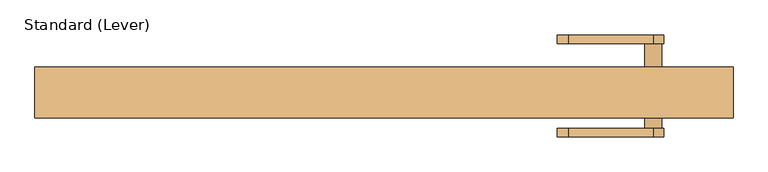
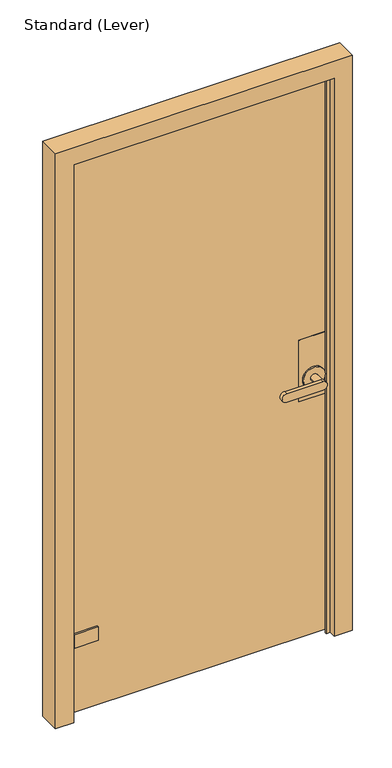
"""IFC4 building model written with IfcOpenShell, lengths in millimetres: door geometry, Standard (Lever)."""

import ifcopenshell
import ifcopenshell.guid

model = None  # the IFC model being written
_history = None  # IfcOwnerHistory: only IFC2X3 demands one
_inside = {}  # id of a spatial element -> (the spatial element, [elements in it])
_under = {}  # id of a project, library or spatial element -> (it, [spatial elements below it])
_declared = {}  # id of a project -> (the project, [libraries it declares])
_typed = {}  # id of a type object -> (the type object, [elements of that type])
_made_of = {}  # id of a material, layer set ... -> (it, [elements and type objects made of it])


def new_model(schema):
    """Start an empty IFC model of exactly this schema.

    Asked for "IFC4X3", IfcOpenShell would pick the latest addendum, in which some entities
    have other attributes; the version numbers below select the first issue.
    IFC2X3 requires an IfcOwnerHistory on every rooted entity: one is made here for all.
    """
    global model, _history
    if schema == "IFC4X3":
        model = ifcopenshell.file(schema_version=(4, 3, 0, 0))
    else:
        model = ifcopenshell.file(schema=schema)
    _inside.clear()
    _under.clear()
    _declared.clear()
    _typed.clear()
    _made_of.clear()
    _history = None
    if model.schema == "IFC2X3":
        org = make("IfcOrganization", Name="unknown")
        user = make(
            "IfcPersonAndOrganization",
            ThePerson=make("IfcPerson", FamilyName="unknown"),
            TheOrganization=org,
        )
        app = make(
            "IfcApplication",
            ApplicationDeveloper=org,
            Version="unknown",
            ApplicationFullName="unknown",
            ApplicationIdentifier="unknown",
        )
        _history = make(
            "IfcOwnerHistory",
            OwningUser=user,
            OwningApplication=app,
            ChangeAction="ADDED",
            CreationDate=0,
        )
    return model


def make(cls, **values):
    """One entity of the class cls with the attributes given. An attribute that is None is left unset."""
    return model.create_entity(
        cls, **{name: value for name, value in values.items() if value is not None}
    )


def rooted(cls, **values):
    """An entity with a GlobalId (a new one), such as an element, a storey or a relation."""
    return make(cls, GlobalId=ifcopenshell.guid.new(), OwnerHistory=_history, **values)


def si_unit(unit_type, name, prefix=None):
    """IfcSIUnit, for example si_unit("LENGTHUNIT", "METRE", prefix="MILLI")."""
    return make("IfcSIUnit", UnitType=unit_type, Prefix=prefix, Name=name)


def assignment(units):
    """IfcUnitAssignment: the units of a project."""
    return None if units is None else make("IfcUnitAssignment", Units=units)


def point(xyz):
    """IfcCartesianPoint."""
    return None if xyz is None else make("IfcCartesianPoint", Coordinates=xyz)


def direction(xyz):
    """IfcDirection."""
    return None if xyz is None else make("IfcDirection", DirectionRatios=xyz)


def frame(location, z_axis=None, x_axis=None):
    """IfcAxis2Placement3D, a coordinate frame: its origin and axes. An axis left out is left unset."""
    return make(
        "IfcAxis2Placement3D",
        Location=point(location),
        Axis=direction(z_axis),
        RefDirection=direction(x_axis),
    )


def origin():
    """The frame at (0, 0, 0) with its axes left unset."""
    return frame((0.0, 0.0, 0.0))


def place(relative_to, where):
    """IfcLocalPlacement: puts the frame where relative to a parent placement (None: the world)."""
    return make(
        "IfcLocalPlacement", PlacementRelTo=relative_to, RelativePlacement=where
    )


def context(
    kind, dimensions, precision=None, world=None, true_north=None, identifier=None
):
    """IfcGeometricRepresentationContext, for example the 3D "Model" context."""
    return make(
        "IfcGeometricRepresentationContext",
        ContextIdentifier=identifier,
        ContextType=kind,
        CoordinateSpaceDimension=dimensions,
        Precision=precision,
        WorldCoordinateSystem=world,
        TrueNorth=true_north,
    )


def project(units=None, contexts=None):
    """IfcProject with its units and contexts."""
    return rooted(
        "IfcProject",
        Name="project",
        RepresentationContexts=contexts,
        UnitsInContext=assignment(units),
    )


def spatial(cls, under=None, at=None, **own):
    """A site, building, storey or space (cls), placed at a placement, below another one or the project."""
    s = rooted(cls, ObjectPlacement=at, **own)
    if under is not None:
        _under.setdefault(under.id(), (under, []))[1].append(s)
    return s


def polyline(points):
    """IfcPolyline through the points."""
    return make("IfcPolyline", Points=[point(p) for p in points])


def circle_curve(where, radius):
    """IfcCircle in the frame where."""
    return make("IfcCircle", Position=where, Radius=radius)


def outline(outer, holes=None, kind="AREA"):
    """IfcArbitraryClosedProfileDef: a profile drawn as a closed curve; with holes, ...WithVoids."""
    if holes is None:
        return make("IfcArbitraryClosedProfileDef", ProfileType=kind, OuterCurve=outer)
    return make(
        "IfcArbitraryProfileDefWithVoids",
        ProfileType=kind,
        OuterCurve=outer,
        InnerCurves=holes,
    )


def extrude(swept, where, along, depth):
    """IfcExtrudedAreaSolid: the profile swept, set in the frame where, extruded along a direction by depth."""
    return make(
        "IfcExtrudedAreaSolid",
        SweptArea=swept,
        Position=where,
        ExtrudedDirection=direction(along),
        Depth=depth,
    )


def faces_of(points, faces, orient=None, outer=None):
    """IfcFace entities. A face is a list of loops; a loop is a list of indices into points, from 0.

    orient and outer hold one flag for each loop. By default every Orientation is true, the
    first loop of a face is its IfcFaceOuterBound and the others are IfcFaceBound.
    """
    made = []
    for i, loops in enumerate(faces):
        bounds = []
        for j, loop in enumerate(loops):
            is_outer = j == 0 if outer is None else outer[i][j]
            bounds.append(
                make(
                    "IfcFaceOuterBound" if is_outer else "IfcFaceBound",
                    Bound=make("IfcPolyLoop", Polygon=[points[k] for k in loop]),
                    Orientation=True if orient is None else orient[i][j],
                )
            )
        made.append(make("IfcFace", Bounds=bounds))
    return made


def faceted_brep(points, faces, orient=None, outer=None, voids=None):
    """IfcFacetedBrep: a solid bounded by flat faces; with voids (closed shells), ...WithVoids."""
    shared = [point(p) for p in points]
    hull = make("IfcClosedShell", CfsFaces=faces_of(shared, faces, orient, outer))
    if voids is None:
        return make("IfcFacetedBrep", Outer=hull)
    return make(
        "IfcFacetedBrepWithVoids",
        Outer=hull,
        Voids=[
            make(cls, CfsFaces=faces_of(shared, fs, o, b)) for cls, fs, o, b in voids
        ],
    )


def shape(context_of_items, identifier, shape_type, items):
    """IfcShapeRepresentation: the items that make up one representation, for example the "Body"."""
    return make(
        "IfcShapeRepresentation",
        ContextOfItems=context_of_items,
        RepresentationIdentifier=identifier,
        RepresentationType=shape_type,
        Items=items,
    )


def source(mapping_origin, context_of_items, identifier, shape_type, items):
    """IfcRepresentationMap: a shape defined once, which mapped items show again and again."""
    return make(
        "IfcRepresentationMap",
        MappingOrigin=mapping_origin,
        MappedRepresentation=shape(context_of_items, identifier, shape_type, items),
    )


def transform(
    local_origin,
    x_axis=None,
    y_axis=None,
    z_axis=None,
    scale=None,
    scale2=None,
    scale3=None,
    uniform=True,
):
    """IfcCartesianTransformationOperator3D, or its non-uniform kind. x_axis, y_axis, z_axis: its Axis1, 2, 3."""
    if uniform:
        return make(
            "IfcCartesianTransformationOperator3D",
            Axis1=direction(x_axis),
            Axis2=direction(y_axis),
            LocalOrigin=point(local_origin),
            Scale=scale,
            Axis3=direction(z_axis),
        )
    return make(
        "IfcCartesianTransformationOperator3DnonUniform",
        Axis1=direction(x_axis),
        Axis2=direction(y_axis),
        LocalOrigin=point(local_origin),
        Scale=scale,
        Axis3=direction(z_axis),
        Scale2=scale2,
        Scale3=scale3,
    )


def mapped(mapping_source, mapping_target):
    """IfcMappedItem: shows the shape of a source again, moved by a transform."""
    return make(
        "IfcMappedItem", MappingSource=mapping_source, MappingTarget=mapping_target
    )


def made_of(thing, what):
    """Note that an element or type object is made of a material, layer set ...; save() writes the relation."""
    if what is not None:
        _made_of.setdefault(what.id(), (what, []))[1].append(thing)
    return thing


def element(
    cls,
    number,
    at=None,
    inside=None,
    cuts=None,
    type_object=None,
    material=None,
    context=None,
    identifier="Body",
    shape_type=None,
    held_by="IfcProductDefinitionShape",
    body=None,
    shapes=None,
    **own,
):
    """One element of the class cls, such as IfcWall. Its Tag is "e" and its number.

    at: its placement. inside: the storey or other place that contains it. cuts: it is an
    opening in that element (IfcRelVoidsElement). A single representation is given by context,
    identifier, shape_type and body (its items); several are given by shapes. held_by: the class
    of the entity that holds the representations. save() writes the other relations.
    """
    e = rooted(cls, Tag="e%d" % number, ObjectPlacement=at, **own)
    if body is not None:
        shapes = [shape(context, identifier, shape_type, body)]
    if shapes is not None:
        e.Representation = make(held_by, Representations=shapes)
    if inside is not None:
        _inside.setdefault(inside.id(), (inside, []))[1].append(e)
    if cuts is not None:
        rooted(
            "IfcRelVoidsElement", RelatingBuildingElement=cuts, RelatedOpeningElement=e
        )
    if type_object is not None:
        _typed.setdefault(type_object.id(), (type_object, []))[1].append(e)
    return made_of(e, material)


def aggregate(whole, parts):
    """IfcRelAggregates: a whole, such as a stair, and the parts it consists of."""
    return rooted("IfcRelAggregates", RelatingObject=whole, RelatedObjects=parts)


def save(model, path):
    """Write the relations noted so far, then the file.

    IfcRelAggregates (storeys below a building ...), IfcRelContainedInSpatialStructure (elements
    in a storey), IfcRelDefinesByType, IfcRelAssociatesMaterial and IfcRelDeclares: one each for
    every whole, place, type object, material and project.
    """
    for whole, parts in _under.values():
        aggregate(whole, parts)
    for where, things in _inside.values():
        rooted(
            "IfcRelContainedInSpatialStructure",
            RelatedElements=things,
            RelatingStructure=where,
        )
    for kind, things in _typed.values():
        rooted("IfcRelDefinesByType", RelatedObjects=things, RelatingType=kind)
    for what, things in _made_of.values():
        rooted("IfcRelAssociatesMaterial", RelatedObjects=things, RelatingMaterial=what)
    for by, libraries in _declared.values():
        rooted("IfcRelDeclares", RelatingContext=by, RelatedDefinitions=libraries)
    model.write(path)


def plane_surface(at):
    """IfcPlane: the flat surface through the origin of the frame at, square to its z axis."""
    return make("IfcPlane", Position=at)


def cylinder_surface(at, radius):
    """IfcCylindricalSurface: all points at the distance radius from the z axis of the frame at."""
    return make("IfcCylindricalSurface", Position=at, Radius=radius)


def revolved_surface(curve, axis_point, axis_direction):
    """IfcSurfaceOfRevolution: the curve turned about the line through axis_point along axis_direction."""
    return make(
        "IfcSurfaceOfRevolution",
        SweptCurve=make("IfcArbitraryOpenProfileDef", ProfileType="CURVE", Curve=curve),
        AxisPosition=make("IfcAxis1Placement", Location=point(axis_point), Axis=direction(axis_direction)),
    )


def advanced_brep(points, edges, surfaces, faces):
    """IfcAdvancedBrep: a solid bounded by faces that lie on surfaces and meet in shared edges.

    An edge is (start, end): straight between two places in points (the first is 0);
    or (start, end, curve); or (start, end, curve, False) where it runs against its curve.
    A face is (place in surfaces, loops), or (place, loops, False) where it looks against
    its surface's normal. A loop lists edges by number (the first is 1), with a minus sign
    where the edge is run from its end to its start. The first loop is the outer one.
    """
    corners = [point(p) for p in points]
    vertices = [make("IfcVertexPoint", VertexGeometry=c) for c in corners]
    made = []
    for start, end, *more in edges:
        made.append(
            make(
                "IfcEdgeCurve",
                EdgeStart=vertices[start],
                EdgeEnd=vertices[end],
                EdgeGeometry=more[0] if more else make("IfcPolyline", Points=[corners[start], corners[end]]),
                SameSense=more[1] if len(more) > 1 else True,
            )
        )
    hull = []
    for where, loops, *sense in faces:
        bounds = []
        for j, loop in enumerate(loops):
            ring = [make("IfcOrientedEdge", EdgeElement=made[abs(k) - 1], Orientation=k > 0) for k in loop]
            bounds.append(
                make(
                    "IfcFaceOuterBound" if j == 0 else "IfcFaceBound",
                    Bound=make("IfcEdgeLoop", EdgeList=ring),
                    Orientation=True,
                )
            )
        hull.append(make("IfcAdvancedFace", Bounds=bounds, FaceSurface=surfaces[where], SameSense=sense[0] if sense else True))
    return make("IfcAdvancedBrep", Outer=make("IfcClosedShell", CfsFaces=hull))


def standard_lever_677bbb36(model_context):
    return source(origin(), model_context, "Body", "SolidModel", [
        advanced_brep(
        [(452.4375, 29.36875, 1117.6), (350.8375, 29.36875, 1117.6), (350.8375, 5.55625, 1117.6), (439.7375, 5.55625, 1117.6), (439.7375, -7.14375, 1117.6), (350.8375, -7.14375, 1117.6), (350.8375, -8.73125, 1117.6), (452.4375, -8.73125, 1117.6), (452.4375, 29.36875, 889.0), (452.4375, -8.73125, 889.0), (350.8375, -8.73125, 889.0), (350.8375, -7.14375, 889.0), (439.7375, -7.14375, 889.0), (439.7375, 5.55625, 889.0), (350.8375, 5.55625, 889.0), (350.8375, 29.36875, 889.0), (439.7375, 29.36875, 965.2), (363.5375, 29.36875, 965.2), (439.7375, -13.49375, 965.2), (363.5375, -13.49375, 965.2), (388.9375, -13.49375, 965.2), (414.3375, -13.49375, 965.2), (363.5375, -8.73125, 965.2), (439.7375, -8.73125, 965.2), (414.3375, -53.18125, 965.2), (388.9375, -53.18125, 965.2), (274.6375, -65.88125, 949.325), (401.6375, -65.88125, 949.325), (401.6375, -65.88125, 981.075), (274.6375, -65.88125, 981.075), (274.6375, -53.18125, 949.325), (274.6375, -53.18125, 981.075), (401.6375, -53.18125, 981.075), (401.6375, -53.18125, 949.325), (414.3375, 34.13125, 965.2), (388.9375, 34.13125, 965.2), (388.9375, 73.81875, 965.2), (414.3375, 73.81875, 965.2), (439.7375, 34.13125, 965.2), (363.5375, 34.13125, 965.2), (401.6375, 73.81875, 949.325), (401.6375, 73.81875, 981.075), (274.6375, 73.81875, 981.075), (274.6375, 73.81875, 949.325), (401.6375, 86.51875, 949.325), (274.6375, 86.51875, 949.325), (274.6375, 86.51875, 981.075), (401.6375, 86.51875, 981.075)],
        [
            (0, 1),
            (1, 2),
            (2, 3),
            (3, 4),
            (4, 5),
            (5, 6),
            (6, 7),
            (7, 0),
            (8, 9),
            (9, 10),
            (10, 11),
            (11, 12),
            (12, 13),
            (13, 14),
            (14, 15),
            (15, 8),
            (7, 9),
            (8, 0),
            (2, 14),
            (13, 3),
            (1, 15),
            (16, 17, circle_curve(frame((401.6375, 29.36875, 965.2), z_axis=(0.0, -1.0, 0.0), x_axis=(-1.0, 0.0, 0.0)), 38.1)),
            (17, 16, circle_curve(frame((401.6375, 29.36875, 965.2), z_axis=(0.0, -1.0, 0.0), x_axis=(-1.0, 0.0, 0.0)), 38.1)),
            (5, 11),
            (10, 6),
            (4, 12),
            (18, 19, circle_curve(frame((401.6375, -13.49375, 965.2), z_axis=(0.0, -1.0, 0.0), x_axis=(-1.0, 0.0, 0.0)), 38.1)),
            (19, 18, circle_curve(frame((401.6375, -13.49375, 965.2), z_axis=(0.0, -1.0, 0.0), x_axis=(-1.0, 0.0, 0.0)), 38.1)),
            (20, 21, circle_curve(frame((401.6375, -13.49375, 965.2), z_axis=(0.0, 1.0, 0.0), x_axis=(-1.0, 0.0, 0.0)), 12.7)),
            (21, 20, circle_curve(frame((401.6375, -13.49375, 965.2), z_axis=(0.0, 1.0, 0.0), x_axis=(-1.0, 0.0, 0.0)), 12.7)),
            (19, 22),
            (22, 23, circle_curve(frame((401.6375, -8.73125, 965.2), z_axis=(0.0, -1.0, 0.0), x_axis=(-1.0, 0.0, 0.0)), 38.1)),
            (23, 18),
            (23, 22, circle_curve(frame((401.6375, -8.73125, 965.2), z_axis=(0.0, -1.0, 0.0), x_axis=(-1.0, 0.0, 0.0)), 38.1)),
            (24, 25, circle_curve(frame((401.6375, -53.18125, 965.2), z_axis=(0.0, 1.0, 0.0), x_axis=(-1.0, 0.0, 0.0)), 12.7)),
            (25, 20),
            (21, 24),
            (25, 24, circle_curve(frame((401.6375, -53.18125, 965.2), z_axis=(0.0, 1.0, 0.0), x_axis=(-1.0, 0.0, 0.0)), 12.7)),
            (26, 27),
            (27, 28, circle_curve(frame((401.6375, -65.88125, 965.2), z_axis=(0.0, -1.0, 0.0), x_axis=(-1.0, 0.0, 0.0)), 15.875)),
            (28, 29),
            (29, 26, circle_curve(frame((274.6375, -65.88125, 965.2), z_axis=(0.0, -1.0, 0.0), x_axis=(-1.0, 0.0, 0.0)), 15.875)),
            (30, 31, circle_curve(frame((274.6375, -53.18125, 965.2), z_axis=(0.0, 1.0, 0.0), x_axis=(-1.0, 0.0, 0.0)), 15.875)),
            (31, 32),
            (32, 33, circle_curve(frame((401.6375, -53.18125, 965.2), z_axis=(0.0, 1.0, 0.0), x_axis=(-1.0, 0.0, 0.0)), 15.875)),
            (33, 30),
            (29, 31),
            (30, 26),
            (28, 32),
            (27, 33),
            (34, 35, circle_curve(frame((401.6375, 34.13125, 965.2), z_axis=(0.0, 1.0, 0.0), x_axis=(-1.0, 0.0, 0.0)), 12.7)),
            (35, 36),
            (36, 37, circle_curve(frame((401.6375, 73.81875, 965.2), z_axis=(0.0, -1.0, 0.0), x_axis=(-1.0, 0.0, 0.0)), 12.7)),
            (37, 34),
            (37, 36, circle_curve(frame((401.6375, 73.81875, 965.2), z_axis=(0.0, -1.0, 0.0), x_axis=(-1.0, 0.0, 0.0)), 12.7)),
            (35, 34, circle_curve(frame((401.6375, 34.13125, 965.2), z_axis=(0.0, 1.0, 0.0), x_axis=(-1.0, 0.0, 0.0)), 12.7)),
            (38, 39, circle_curve(frame((401.6375, 34.13125, 965.2), z_axis=(0.0, 1.0, 0.0), x_axis=(-1.0, 0.0, 0.0)), 38.1)),
            (39, 38, circle_curve(frame((401.6375, 34.13125, 965.2), z_axis=(0.0, 1.0, 0.0), x_axis=(-1.0, 0.0, 0.0)), 38.1)),
            (38, 16),
            (17, 39),
            (40, 41, circle_curve(frame((401.6375, 73.81875, 965.2), z_axis=(0.0, -1.0, 0.0), x_axis=(-1.0, 0.0, 0.0)), 15.875)),
            (41, 42),
            (42, 43, circle_curve(frame((274.6375, 73.81875, 965.2), z_axis=(0.0, -1.0, 0.0), x_axis=(-1.0, 0.0, 0.0)), 15.875)),
            (43, 40),
            (44, 45),
            (45, 46, circle_curve(frame((274.6375, 86.51875, 965.2), z_axis=(0.0, 1.0, 0.0), x_axis=(-1.0, 0.0, 0.0)), 15.875)),
            (46, 47),
            (47, 44, circle_curve(frame((401.6375, 86.51875, 965.2), z_axis=(0.0, 1.0, 0.0), x_axis=(-1.0, 0.0, 0.0)), 15.875)),
            (43, 45),
            (44, 40),
            (42, 46),
            (41, 47),
        ],
        [
            plane_surface(frame((452.4375, 117.2130478, 1117.6), z_axis=(0.0, 0.0, 1.0), x_axis=(0.0, -1.0, 0.0))),
            plane_surface(frame((452.4375, 117.2130478, 889.0), z_axis=(0.0, 0.0, -1.0), x_axis=(0.0, 1.0, 0.0))),
            plane_surface(frame((452.4375, 29.36875, 1117.6), z_axis=(1.0, 0.0, 0.0), x_axis=(0.0, 0.0, -1.0))),
            plane_surface(frame((439.7375, 5.55625, 1117.6), z_axis=(0.0, -1.0, 0.0), x_axis=(0.0, 0.0, -1.0))),
            plane_surface(frame((350.8375, 5.55625, 1117.6), z_axis=(-1.0, 0.0, 0.0), x_axis=(0.0, 0.0, -1.0))),
            plane_surface(frame((350.8375, 29.36875, 1117.6), z_axis=(0.0, 1.0, 0.0), x_axis=(0.0, 0.0, -1.0))),
            plane_surface(frame((350.8375, -8.73125, 1117.6), z_axis=(-1.0, 0.0, 0.0), x_axis=(0.0, 0.0, -1.0))),
            plane_surface(frame((350.8375, -7.14375, 1117.6), z_axis=(0.0, 1.0, 0.0), x_axis=(0.0, 0.0, -1.0))),
            plane_surface(frame((363.5375, -13.49375, 965.2), z_axis=(0.0, -1.0, 0.0), x_axis=(0.0, 0.0, 1.0))),
            cylinder_surface(frame((401.6375, -8.73125, 965.2), z_axis=(0.0, -1.0, 0.0), x_axis=(-1.0, 0.0, 0.0)), 38.1),
            cylinder_surface(frame((401.6375, -13.49375, 965.2), z_axis=(0.0, -1.0, 0.0), x_axis=(-1.0, 0.0, 0.0)), 12.7),
            plane_surface(frame((258.7625, -65.88125, 965.2), z_axis=(0.0, -1.0, 0.0), x_axis=(0.0, 0.0, 1.0))),
            plane_surface(frame((258.7625, -53.18125, 965.2), z_axis=(0.0, 1.0, 0.0), x_axis=(0.0, 0.0, -1.0))),
            cylinder_surface(frame((274.6375, -53.18125, 965.2), z_axis=(0.0, -1.0, 0.0), x_axis=(-1.0, 0.0, 0.0)), 15.875),
            plane_surface(frame((274.6375, -65.88125, 981.075), z_axis=(0.0, 0.0, 1.0), x_axis=(0.0, 1.0, 0.0))),
            cylinder_surface(frame((401.6375, -53.18125, 965.2), z_axis=(0.0, -1.0, 0.0), x_axis=(-1.0, 0.0, 0.0)), 15.875),
            plane_surface(frame((401.6375, -65.88125, 949.325), z_axis=(0.0, 0.0, -1.0), x_axis=(0.0, 1.0, 0.0))),
            cylinder_surface(frame((401.6375, 73.81875, 965.2), z_axis=(0.0, -1.0, 0.0), x_axis=(-1.0, 0.0, 0.0)), 12.7),
            plane_surface(frame((363.5375, 34.13125, 965.2), z_axis=(0.0, 1.0, 0.0), x_axis=(0.0, 0.0, -1.0))),
            cylinder_surface(frame((401.6375, 34.13125, 965.2), z_axis=(0.0, -1.0, 0.0), x_axis=(-1.0, 0.0, 0.0)), 38.1),
            plane_surface(frame((401.6375, 73.81875, 949.325), z_axis=(0.0, -1.0, 0.0), x_axis=(-1.0, 0.0, 0.0))),
            plane_surface(frame((401.6375, 86.51875, 949.325), z_axis=(0.0, 1.0, 0.0), x_axis=(1.0, 0.0, 0.0))),
            plane_surface(frame((401.6375, 73.81875, 949.325), z_axis=(0.0, 0.0, -1.0), x_axis=(0.0, 1.0, 0.0))),
            cylinder_surface(frame((274.6375, 86.51875, 965.2), z_axis=(0.0, -1.0, 0.0), x_axis=(-1.0, 0.0, 0.0)), 15.875),
            plane_surface(frame((274.6375, 73.81875, 981.075), z_axis=(0.0, 0.0, 1.0), x_axis=(0.0, 1.0, 0.0))),
            cylinder_surface(frame((401.6375, 86.51875, 965.2), z_axis=(0.0, -1.0, 0.0), x_axis=(-1.0, 0.0, 0.0)), 15.875),
            plane_surface(frame((452.4375, -8.73125, 1117.6), z_axis=(0.0, -1.0, 0.0), x_axis=(0.0, 0.0, -1.0))),
            plane_surface(frame((439.7375, -7.14375, 1117.6), z_axis=(-1.0, 0.0, 0.0), x_axis=(0.0, 0.0, -1.0))),
        ],
        [
            (0, [[1, 2, 3, 4, 5, 6, 7, 8]]),
            (1, [[9, 10, 11, 12, 13, 14, 15, 16]]),
            (2, [[17, -9, 18, -8]]),
            (3, [[19, -14, 20, -3]]),
            (4, [[21, -15, -19, -2]]),
            (5, [[-18, -16, -21, -1], [22, 23]]),
            (6, [[24, -11, 25, -6]]),
            (7, [[26, -12, -24, -5]]),
            (8, [[27, 28], [29, 30]]),
            (9, [[31, 32, 33, -28]]),
            (9, [[-33, 34, -31, -27]]),
            (10, [[35, 36, -30, 37]]),
            (10, [[-29, -36, 38, -37]]),
            (11, [[39, 40, 41, 42]]),
            (12, [[43, 44, 45, 46], [-38, -35]]),
            (13, [[47, -43, 48, -42]]),
            (14, [[49, -44, -47, -41]]),
            (15, [[50, -45, -49, -40]]),
            (16, [[-48, -46, -50, -39]]),
            (17, [[51, 52, 53, 54]]),
            (17, [[55, -52, 56, -54]]),
            (18, [[57, 58], [-56, -51]]),
            (19, [[59, -23, 60, -57]]),
            (19, [[-60, -22, -59, -58]]),
            (20, [[61, 62, 63, 64], [-55, -53]]),
            (21, [[65, 66, 67, 68]]),
            (22, [[69, -65, 70, -64]]),
            (23, [[71, -66, -69, -63]]),
            (24, [[72, -67, -71, -62]]),
            (25, [[-70, -68, -72, -61]]),
            (26, [[-25, -10, -17, -7], [-34, -32]]),
            (27, [[-20, -13, -26, -4]]),
        ],
    ),
        advanced_brep(
        [(-440.3328125, 23.0182831, 304.8), (-438.1500584, 5.55625, 304.8), (-355.6, 5.55625, 304.8), (-355.6, 11.90625, 304.8), (-413.828963, 11.90625, 304.8), (-424.8274856, 18.25625, 304.8), (-434.4509234, 34.9245331, 304.8), (-445.29375, 37.8298597, 304.8), (-455.6125, 31.8723266, 304.8), (-457.2, 29.122696, 304.8), (-457.2, -7.1442169, 304.8), (-455.19975, -7.1442169, 304.8), (-455.19975, 5.5557831, 304.8), (-453.1995, 6.710628, 304.8), (-453.1995, 19.8432831, 304.8), (-450.0245, 23.0182831, 304.8), (-440.3328125, 23.0182831, 292.1), (-450.0245, 23.0182831, 292.1), (-453.1995, 19.8432831, 292.1), (-453.1995, 6.710628, 292.1), (-455.19975, 5.5557831, 292.1), (-455.19975, -7.1442169, 292.1), (-457.2, -7.1442169, 292.1), (-457.2, 29.122696, 292.1), (-455.6125, 31.8723266, 292.1), (-445.29375, 37.8298597, 292.1), (-434.4509234, 34.9245331, 292.1), (-440.3404743, 23.0795774, 290.5125), (-440.3404743, 23.0795774, 268.2875), (-440.3404743, 23.0795774, 266.7), (-440.3328125, 23.0182831, 254.0), (-438.1500584, 5.55625, 254.0), (-355.6, 5.55625, 254.0), (-355.6, 11.90625, 254.0), (-413.828963, 11.90625, 254.0), (-413.828963, 11.90625, 266.7), (-413.828963, 11.90625, 292.1), (-424.8274856, 18.25625, 292.1), (-424.8274856, 18.25625, 266.7), (-424.8274856, 18.25625, 254.0), (-434.4509234, 34.9245331, 254.0), (-434.4509234, 34.9245331, 266.7), (-434.4509234, 34.9245331, 268.2875), (-434.4509234, 34.9245331, 290.5125), (-433.3875, 30.9557831, 290.5125), (-433.3875, 30.9557831, 268.2875), (-445.29375, 37.8298597, 266.7), (-455.6125, 31.8723266, 266.7), (-457.2, 29.122696, 266.7), (-457.2, -7.1442169, 266.7), (-455.19975, -7.1442169, 266.7), (-455.19975, 5.5557831, 266.7), (-453.1995, 6.710628, 266.7), (-453.1995, 19.8432831, 266.7), (-450.0245, 23.0182831, 266.7), (-450.0245, 23.0182831, 254.0), (-453.1995, 19.8432831, 254.0), (-453.1995, 6.710628, 254.0), (-455.19975, 5.5557831, 254.0), (-455.19975, -7.1442169, 254.0), (-457.2, -7.1442169, 254.0), (-457.2, 29.122696, 254.0), (-455.6125, 31.8723266, 254.0), (-445.29375, 37.8298597, 254.0), (-449.2625, 30.9557831, 290.5125), (-444.5, 30.9557831, 290.5125), (-438.15, 30.9557831, 290.5125), (-449.2625, 30.9557831, 268.2875), (-444.5, 30.9557831, 268.2875), (-438.15, 30.9557831, 268.2875)],
        [
            (0, 1),
            (1, 2),
            (2, 3),
            (3, 4),
            (4, 5, circle_curve(frame((-413.828963, 24.60625, 304.8), z_axis=(0.0, 0.0, -1.0), x_axis=(0.0, -1.0, 0.0)), 12.7)),
            (5, 6),
            (6, 7, circle_curve(frame((-441.325, 30.9557831, 304.8), z_axis=(0.0, 0.0, 1.0), x_axis=(0.0, -1.0, 0.0)), 7.9375)),
            (7, 8),
            (8, 9, circle_curve(frame((-454.025, 29.122696, 304.8), z_axis=(0.0, 0.0, 1.0), x_axis=(-0.5000000000000575, 0.8660254037844055, 0.0)), 3.175)),
            (9, 10),
            (10, 11),
            (11, 12),
            (12, 13),
            (13, 14),
            (14, 15, circle_curve(frame((-450.0245, 19.8432831, 304.8), z_axis=(0.0, 0.0, -1.0), x_axis=(-1.0, 0.0, 0.0)), 3.175)),
            (15, 0),
            (16, 17),
            (17, 18, circle_curve(frame((-450.0245, 19.8432831, 292.1), z_axis=(0.0, 0.0, 1.0), x_axis=(-1.0, 0.0, 0.0)), 3.175)),
            (18, 19),
            (19, 20),
            (20, 21),
            (21, 22),
            (22, 23),
            (23, 24, circle_curve(frame((-454.025, 29.122696, 292.1), z_axis=(0.0, 0.0, -1.0), x_axis=(-0.5000000000000575, 0.8660254037844055, 0.0)), 3.175)),
            (24, 25),
            (25, 26, circle_curve(frame((-441.325, 30.9557831, 292.1), z_axis=(0.0, 0.0, -1.0), x_axis=(0.0, -1.0, 0.0)), 7.9375)),
            (26, 16, circle_curve(frame((-441.325, 30.9557831, 292.1), z_axis=(0.0, 0.0, -1.0), x_axis=(0.0, -1.0, 0.0)), 7.9375)),
            (7, 25),
            (24, 8),
            (23, 9),
            (22, 10),
            (21, 11),
            (20, 12),
            (19, 13),
            (18, 14),
            (17, 15),
            (16, 0),
            (16, 27),
            (27, 28),
            (28, 29),
            (29, 30),
            (30, 31),
            (31, 1),
            (31, 32),
            (32, 2),
            (32, 33),
            (33, 3),
            (33, 34),
            (34, 35),
            (35, 36),
            (36, 4),
            (36, 37, circle_curve(frame((-413.828963, 24.60625, 292.1), z_axis=(0.0, 0.0, -1.0), x_axis=(0.0, -1.0, 0.0)), 12.7)),
            (37, 5),
            (37, 38),
            (38, 39),
            (39, 40),
            (40, 41),
            (41, 42),
            (42, 43),
            (43, 26),
            (26, 6),
            (35, 38, circle_curve(frame((-413.828963, 24.60625, 266.7), z_axis=(0.0, 0.0, -1.0), x_axis=(0.0, -1.0, 0.0)), 12.7)),
            (43, 44, circle_curve(frame((-441.325, 30.9557831, 290.5125), z_axis=(0.0, 0.0, -1.0), x_axis=(0.0, -1.0, 0.0)), 7.9375)),
            (44, 27, circle_curve(frame((-441.325, 30.9557831, 290.5125), z_axis=(0.0, 0.0, -1.0), x_axis=(0.0, -1.0, 0.0)), 7.9375)),
            (41, 29, circle_curve(frame((-441.325, 30.9557831, 266.7), z_axis=(0.0, 0.0, -1.0), x_axis=(0.0, -1.0, 0.0)), 7.9375)),
            (28, 45, circle_curve(frame((-441.325, 30.9557831, 268.2875), z_axis=(0.0, 0.0, 1.0), x_axis=(0.0, -1.0, 0.0)), 7.9375)),
            (45, 42, circle_curve(frame((-441.325, 30.9557831, 268.2875), z_axis=(0.0, 0.0, 1.0), x_axis=(0.0, -1.0, 0.0)), 7.9375)),
            (41, 46, circle_curve(frame((-441.325, 30.9557831, 266.7), z_axis=(0.0, 0.0, 1.0), x_axis=(0.0, -1.0, 0.0)), 7.9375)),
            (46, 47),
            (47, 48, circle_curve(frame((-454.025, 29.122696, 266.7), z_axis=(0.0, 0.0, 1.0), x_axis=(-0.5000000000000575, 0.8660254037844055, 0.0)), 3.175)),
            (48, 49),
            (49, 50),
            (50, 51),
            (51, 52),
            (52, 53),
            (53, 54, circle_curve(frame((-450.0245, 19.8432831, 266.7), z_axis=(0.0, 0.0, -1.0), x_axis=(-1.0, 0.0, 0.0)), 3.175)),
            (54, 29),
            (30, 55),
            (55, 56, circle_curve(frame((-450.0245, 19.8432831, 254.0), z_axis=(0.0, 0.0, 1.0), x_axis=(-1.0, 0.0, 0.0)), 3.175)),
            (56, 57),
            (57, 58),
            (58, 59),
            (59, 60),
            (60, 61),
            (61, 62, circle_curve(frame((-454.025, 29.122696, 254.0), z_axis=(0.0, 0.0, -1.0), x_axis=(-0.5000000000000575, 0.8660254037844055, 0.0)), 3.175)),
            (62, 63),
            (63, 40, circle_curve(frame((-441.325, 30.9557831, 254.0), z_axis=(0.0, 0.0, -1.0), x_axis=(0.0, -1.0, 0.0)), 7.9375)),
            (39, 34, circle_curve(frame((-413.828963, 24.60625, 254.0), z_axis=(0.0, 0.0, 1.0), x_axis=(0.0, -1.0, 0.0)), 12.7)),
            (63, 46),
            (62, 47),
            (61, 48),
            (60, 49),
            (59, 50),
            (58, 51),
            (57, 52),
            (56, 53),
            (55, 54),
            (64, 27, circle_curve(frame((-441.325, 30.9557831, 290.5125), z_axis=(0.0, 0.0, 1.0), x_axis=(1.0, 0.0, 0.0)), 7.9375)),
            (43, 64, circle_curve(frame((-441.325, 30.9557831, 290.5125), z_axis=(0.0, 0.0, 1.0), x_axis=(1.0, 0.0, 0.0)), 7.9375)),
            (65, 66, circle_curve(frame((-441.325, 30.9557831, 290.5125), z_axis=(0.0, 0.0, -1.0), x_axis=(1.0, 0.0, 0.0)), 3.175)),
            (66, 65, circle_curve(frame((-441.325, 30.9557831, 290.5125), z_axis=(0.0, 0.0, -1.0), x_axis=(1.0, 0.0, 0.0)), 3.175)),
            (28, 67, circle_curve(frame((-441.325, 30.9557831, 268.2875), z_axis=(0.0, 0.0, -1.0), x_axis=(1.0, 0.0, 0.0)), 7.9375)),
            (67, 42, circle_curve(frame((-441.325, 30.9557831, 268.2875), z_axis=(0.0, 0.0, -1.0), x_axis=(1.0, 0.0, 0.0)), 7.9375)),
            (68, 69, circle_curve(frame((-441.325, 30.9557831, 268.2875), z_axis=(0.0, 0.0, 1.0), x_axis=(1.0, 0.0, 0.0)), 3.175)),
            (69, 68, circle_curve(frame((-441.325, 30.9557831, 268.2875), z_axis=(0.0, 0.0, 1.0), x_axis=(1.0, 0.0, 0.0)), 3.175)),
            (65, 68),
            (69, 66),
            (64, 67),
        ],
        [
            plane_surface(frame((-440.3328125, 23.0182831, 304.8), z_axis=(0.0, 0.0, 1.0), x_axis=(0.12403473458190235, -0.9922778767145809, 0.0))),
            plane_surface(frame((-440.3328125, 23.0182831, 292.1), z_axis=(0.0, 0.0, -1.0), x_axis=(-0.12403473458190235, 0.9922778767145809, 0.0))),
            plane_surface(frame((-445.29375, 37.8298597, 304.8), z_axis=(-0.5000000000001321, 0.8660254037843624, 0.0), x_axis=(0.0, 0.0, -1.0))),
            cylinder_surface(frame((-454.025, 29.122696, 292.1), z_axis=(0.0, 0.0, 1.0), x_axis=(-0.5000000000000575, 0.8660254037844055, 0.0)), 3.175),
            plane_surface(frame((-457.2, 29.122696, 304.8), z_axis=(-1.0, 0.0, 0.0), x_axis=(0.0, 0.0, -1.0))),
            plane_surface(frame((-457.2, -7.1442169, 304.8), z_axis=(0.0, -1.0, 0.0), x_axis=(0.0, 0.0, -1.0))),
            plane_surface(frame((-455.19975, -7.1442169, 304.8), z_axis=(1.0, 0.0, 0.0), x_axis=(0.0, 0.0, -1.0))),
            plane_surface(frame((-455.19975, 5.5557831, 304.8), z_axis=(0.4999999999997088, -0.8660254037846068, 0.0), x_axis=(0.0, 0.0, -1.0))),
            plane_surface(frame((-453.1995, 6.710628, 304.8), z_axis=(1.0, 0.0, 0.0), x_axis=(0.0, 0.0, -1.0))),
            revolved_surface(polyline([(-453.1995, 19.8432831, 292.1), (-453.1995, 19.8432831, 304.8)]), (-450.0245, 19.8432831, 292.1), (0.0, 0.0, -1.0)),
            plane_surface(frame((-450.0245, 23.0182831, 304.8), z_axis=(0.0, -1.0, 0.0), x_axis=(0.0, 0.0, -1.0))),
            plane_surface(frame((-440.3328125, 23.0182831, 304.8), z_axis=(-0.9922778767145809, -0.12403473458190235, 0.0), x_axis=(0.0, 0.0, -1.0))),
            plane_surface(frame((-438.1500584, 5.55625, 304.8), z_axis=(0.0, -1.0, 0.0), x_axis=(0.0, 0.0, -1.0))),
            plane_surface(frame((-355.6, 5.55625, 304.8), z_axis=(1.0, 0.0, 0.0), x_axis=(0.0, 0.0, -1.0))),
            plane_surface(frame((-355.6, 11.90625, 304.8), z_axis=(0.0, 1.0, 0.0), x_axis=(0.0, 0.0, -1.0))),
            revolved_surface(polyline([(-413.828963, 11.90625, 292.1), (-413.828963, 11.90625, 304.8)]), (-413.828963, 24.60625, 292.1), (0.0, 0.0, -1.0)),
            plane_surface(frame((-424.8274856, 18.25625, 304.8), z_axis=(0.8660254037845987, 0.49999999999972294, 0.0), x_axis=(0.0, 0.0, -1.0))),
            cylinder_surface(frame((-441.325, 30.9557831, 292.1), z_axis=(0.0, 0.0, 1.0), x_axis=(0.0, -1.0, 0.0)), 7.9375),
            revolved_surface(polyline([(-413.828963, 11.90625, 266.7), (-413.828963, 11.90625, 292.1)]), (-413.828963, 24.60625, 266.7), (0.0, 0.0, -1.0)),
            revolved_surface(polyline([(-441.325, 23.0182831, 290.5125), (-441.325, 23.0182831, 292.1)]), (-441.325, 30.9557831, 266.7), (0.0, 0.0, -1.0)),
            revolved_surface(polyline([(-441.325, 23.0182831, 266.7), (-441.325, 23.0182831, 268.2875)]), (-441.325, 30.9557831, 266.7), (0.0, 0.0, -1.0)),
            plane_surface(frame((-440.3404743, 23.0795774, 266.7), z_axis=(0.0, 0.0, 1.0), x_axis=(0.1240347345819024, -0.9922778767145809, 0.0))),
            plane_surface(frame((-440.3404743, 23.0795774, 254.0), z_axis=(0.0, 0.0, -1.0), x_axis=(-0.1240347345819024, 0.9922778767145809, 0.0))),
            cylinder_surface(frame((-441.325, 30.9557831, 254.0), z_axis=(0.0, 0.0, 1.0), x_axis=(0.0, -1.0, 0.0)), 7.9375),
            plane_surface(frame((-445.29375, 37.8298597, 266.7), z_axis=(-0.500000000000132, 0.8660254037843624, 0.0), x_axis=(0.0, 0.0, -1.0))),
            cylinder_surface(frame((-454.025, 29.122696, 254.0), z_axis=(0.0, 0.0, 1.0), x_axis=(-0.5000000000000575, 0.8660254037844055, 0.0)), 3.175),
            plane_surface(frame((-457.2, 29.122696, 266.7), z_axis=(-1.0, 0.0, 0.0), x_axis=(0.0, 0.0, -1.0))),
            plane_surface(frame((-457.2, -7.1442169, 266.7), z_axis=(0.0, -1.0, 0.0), x_axis=(0.0, 0.0, -1.0))),
            plane_surface(frame((-455.19975, -7.1442169, 266.7), z_axis=(1.0, 0.0, 0.0), x_axis=(0.0, 0.0, -1.0))),
            plane_surface(frame((-455.19975, 5.5557831, 266.7), z_axis=(0.4999999999997088, -0.8660254037846068, 0.0), x_axis=(0.0, 0.0, -1.0))),
            plane_surface(frame((-453.1995, 6.710628, 266.7), z_axis=(1.0, 0.0, 0.0), x_axis=(0.0, 0.0, -1.0))),
            revolved_surface(polyline([(-453.1995, 19.8432831, 254.0), (-453.1995, 19.8432831, 266.7)]), (-450.0245, 19.8432831, 254.0), (0.0, 0.0, -1.0)),
            plane_surface(frame((-450.0245, 23.0182831, 266.7), z_axis=(0.0, -1.0, 0.0), x_axis=(0.0, 0.0, -1.0))),
            revolved_surface(polyline([(-413.828963, 11.90625, 254.0), (-413.828963, 11.90625, 266.7)]), (-413.828963, 24.60625, 254.0), (0.0, 0.0, -1.0)),
            plane_surface(frame((-438.15, 30.9557831, 290.5125), z_axis=(0.0, 0.0, 1.0), x_axis=(0.0, -1.0, 0.0))),
            plane_surface(frame((-438.15, 30.9557831, 268.2875), z_axis=(0.0, 0.0, -1.0), x_axis=(0.0, 1.0, 0.0))),
            revolved_surface(polyline([(-438.15, 30.9557831, 268.2875), (-438.15, 30.9557831, 290.5125)]), (-441.325, 30.9557831, 268.2875), (0.0, 0.0, -1.0)),
            cylinder_surface(frame((-441.325, 30.9557831, 254.0), z_axis=(0.0, 0.0, 1.0), x_axis=(1.0, 0.0, 0.0)), 7.9375),
        ],
        [
            (0, [[1, 2, 3, 4, 5, 6, 7, 8, 9, 10, 11, 12, 13, 14, 15, 16]]),
            (1, [[17, 18, 19, 20, 21, 22, 23, 24, 25, 26, 27]]),
            (2, [[-8, 28, -25, 29]]),
            (3, [[-9, -29, -24, 30]]),
            (4, [[-10, -30, -23, 31]]),
            (5, [[-11, -31, -22, 32]]),
            (6, [[-12, -32, -21, 33]]),
            (7, [[-13, -33, -20, 34]]),
            (8, [[-14, -34, -19, 35]]),
            (9, [[-15, -35, -18, 36]]),
            (10, [[-16, -36, -17, 37]]),
            (11, [[-1, -37, 38, 39, 40, 41, 42, 43]]),
            (12, [[-2, -43, 44, 45]]),
            (13, [[-3, -45, 46, 47]]),
            (14, [[-4, -47, 48, 49, 50, 51]]),
            (15, [[-5, -51, 52, 53]]),
            (16, [[-6, -53, 54, 55, 56, 57, 58, 59, 60, 61]]),
            (17, [[-7, -61, -26, -28]]),
            (18, [[-50, 62, -54, -52]]),
            (19, [[-27, -60, 63, 64, -38]]),
            (20, [[65, -40, 66, 67, -58]]),
            (21, [[68, 69, 70, 71, 72, 73, 74, 75, 76, 77, -65]]),
            (22, [[78, 79, 80, 81, 82, 83, 84, 85, 86, 87, -56, 88, -48, -46, -44, -42]]),
            (23, [[-68, -57, -87, 89]]),
            (24, [[-69, -89, -86, 90]]),
            (25, [[-70, -90, -85, 91]]),
            (26, [[-71, -91, -84, 92]]),
            (27, [[-72, -92, -83, 93]]),
            (28, [[-73, -93, -82, 94]]),
            (29, [[-74, -94, -81, 95]]),
            (30, [[-75, -95, -80, 96]]),
            (31, [[-76, -96, -79, 97]]),
            (32, [[-77, -97, -78, -41]]),
            (33, [[-88, -55, -62, -49]]),
            (34, [[98, -64, -63, 99], [100, 101]]),
            (35, [[102, 103, -67, -66], [104, 105]]),
            (36, [[-100, 106, -105, 107]]),
            (36, [[-101, -107, -104, -106]]),
            (37, [[108, -102, -39, -98]]),
            (37, [[-108, -99, -59, -103]]),
        ],
    ),
        extrude(outline(polyline([(-355.6, -13.49375), (-438.15, -13.49375), (-438.15, -7.14375), (-355.6, -7.14375), (-355.6, -13.49375)])), frame((0.0, 0.0, 254.0), z_axis=(0.0, 0.0, 1.0), x_axis=(1.0, 0.0, 0.0)), (0.0, 0.0, 1.0), 50.8),
        extrude(outline(polyline([(452.4375, -7.14375), (-452.4375, -7.14375), (-452.4375, 5.55625), (452.4375, 5.55625), (452.4375, -7.14375)])), frame((0.0, 0.0, 12.7), z_axis=(0.0, 0.0, 1.0), x_axis=(1.0, 0.0, 0.0)), (0.0, 0.0, 1.0), 2051.05),
        faceted_brep([(457.2, -12.7, 0.0), (457.2, 38.1, 0.0), (520.7, 38.1, 0.0), (520.7, -38.1, 0.0), (457.2, -38.1, 0.0), (457.2, -14.2875, 0.0), (442.9125, -14.2875, 0.0), (442.9125, -9.525, 0.0), (445.29375, -9.525, 0.0), (445.29375, -10.31875, 0.0), (444.5, -10.31875, 0.0), (444.5, -12.7, 0.0), (450.85, -12.7, 0.0), (450.85, -10.31875, 0.0), (450.05625, -10.31875, 0.0), (450.05625, -9.525, 0.0), (452.4375, -9.525, 0.0), (452.4375, -12.7, 0.0), (452.4375, -12.7, 2055.8125), (457.2, -12.7, 2055.8125), (457.2, -12.7, 2065.3375), (452.4375, -12.7, 2065.3375), (452.4375, -12.7, 2070.1), (457.2, -12.7, 2070.1), (457.2, -12.7, 2057.4), (452.4375, -12.7, 2057.4), (452.4375, -12.7, 2063.75), (457.2, -12.7, 2063.75), (452.4375, -9.525, 2055.8125), (452.4375, -9.525, 2065.3375), (452.4375, -9.525, 2070.1), (452.4375, -10.31875, 2057.4), (452.4375, -10.31875, 2058.19375), (452.4375, -9.525, 2058.19375), (452.4375, -9.525, 2062.95625), (452.4375, -10.31875, 2062.95625), (452.4375, -10.31875, 2063.75), (450.05625, -9.525, 2055.8125), (445.29375, -9.525, 2055.8125), (442.9125, -9.525, 2055.8125), (-442.9125, -9.525, 2055.8125), (-442.9125, -9.525, 0.0), (-445.29375, -9.525, 0.0), (-445.29375, -9.525, 2055.8125), (-450.05625, -9.525, 2055.8125), (-450.05625, -9.525, 0.0), (-452.4375, -9.525, 0.0), (-452.4375, -9.525, 2055.8125), (-457.2, -9.525, 2055.8125), (-457.2, -9.525, 2058.19375), (-452.4375, -9.525, 2058.19375), (-452.4375, -9.525, 2062.95625), (-457.2, -9.525, 2062.95625), (-457.2, -9.525, 2065.3375), (-452.4375, -9.525, 2065.3375), (-452.4375, -9.525, 2070.1), (-450.05625, -9.525, 2070.1), (-450.05625, -9.525, 2065.3375), (-445.29375, -9.525, 2065.3375), (-445.29375, -9.525, 2070.1), (-442.9125, -9.525, 2070.1), (-442.9125, -9.525, 2065.3375), (442.9125, -9.525, 2065.3375), (442.9125, -9.525, 2070.1), (445.29375, -9.525, 2070.1), (445.29375, -9.525, 2065.3375), (450.05625, -9.525, 2065.3375), (450.05625, -9.525, 2070.1), (457.2, -9.525, 2065.3375), (457.2, -9.525, 2062.95625), (457.2, -9.525, 2058.19375), (457.2, -9.525, 2055.8125), (450.05625, -9.525, 2062.95625), (445.29375, -9.525, 2062.95625), (445.29375, -9.525, 2058.19375), (450.05625, -9.525, 2058.19375), (442.9125, -9.525, 2058.19375), (442.9125, -9.525, 2062.95625), (-442.9125, -9.525, 2062.95625), (-442.9125, -9.525, 2058.19375), (-445.29375, -9.525, 2058.19375), (-445.29375, -9.525, 2062.95625), (-450.05625, -9.525, 2062.95625), (-450.05625, -9.525, 2058.19375), (450.05625, -10.31875, 2055.8125), (450.05625, -10.31875, 2065.3375), (450.05625, -10.31875, 2070.1), (450.05625, -10.31875, 2058.19375), (450.05625, -10.31875, 2062.95625), (450.85, -10.31875, 2055.8125), (445.29375, -10.31875, 2055.8125), (444.5, -10.31875, 2055.8125), (-444.5, -10.31875, 0.0), (-444.5, -10.31875, 2055.8125), (-445.29375, -10.31875, 2055.8125), (-445.29375, -10.31875, 0.0), (-450.05625, -10.31875, 0.0), (-450.05625, -10.31875, 2055.8125), (-450.85, -10.31875, 2055.8125), (-450.85, -10.31875, 0.0), (457.2, -10.31875, 2062.95625), (457.2, -10.31875, 2063.75), (457.2, -10.31875, 2057.4), (457.2, -10.31875, 2058.19375), (450.85, -10.31875, 2065.3375), (450.85, -10.31875, 2070.1), (444.5, -10.31875, 2065.3375), (445.29375, -10.31875, 2065.3375), (445.29375, -10.31875, 2070.1), (444.5, -10.31875, 2070.1), (-445.29375, -10.31875, 2065.3375), (-444.5, -10.31875, 2065.3375), (-444.5, -10.31875, 2070.1), (-445.29375, -10.31875, 2070.1), (-450.85, -10.31875, 2065.3375), (-450.05625, -10.31875, 2065.3375), (-450.05625, -10.31875, 2070.1), (-450.85, -10.31875, 2070.1), (442.9125, -10.31875, 2063.75), (-442.9125, -10.31875, 2063.75), (-442.9125, -10.31875, 2062.95625), (442.9125, -10.31875, 2062.95625), (-450.85, -10.31875, 2057.4), (-444.5, -10.31875, 2057.4), (-444.5, -10.31875, 2063.75), (-450.85, -10.31875, 2063.75), (-445.29375, -10.31875, 2062.95625), (-445.29375, -10.31875, 2058.19375), (-450.05625, -10.31875, 2058.19375), (-450.05625, -10.31875, 2062.95625), (442.9125, -10.31875, 2058.19375), (-442.9125, -10.31875, 2058.19375), (-442.9125, -10.31875, 2057.4), (442.9125, -10.31875, 2057.4), (450.85, -10.31875, 2057.4), (450.85, -10.31875, 2063.75), (444.5, -10.31875, 2063.75), (444.5, -10.31875, 2057.4), (445.29375, -10.31875, 2058.19375), (445.29375, -10.31875, 2062.95625), (-452.4375, -10.31875, 2062.95625), (-452.4375, -10.31875, 2063.75), (-457.2, -10.31875, 2063.75), (-457.2, -10.31875, 2062.95625), (-452.4375, -10.31875, 2057.4), (-452.4375, -10.31875, 2058.19375), (-457.2, -10.31875, 2058.19375), (-457.2, -10.31875, 2057.4), (450.85, -12.7, 2055.8125), (450.85, -12.7, 2065.3375), (450.85, -12.7, 2070.1), (450.85, -12.7, 2063.75), (450.85, -12.7, 2057.4), (444.5, -12.7, 2055.8125), (444.5, -12.7, 2065.3375), (444.5, -12.7, 2070.1), (444.5, -12.7, 2057.4), (444.5, -12.7, 2063.75), (442.9125, -14.2875, 2055.8125), (442.9125, -12.7, 2065.3375), (442.9125, -12.7, 2070.1), (442.9125, -12.7, 2057.4), (442.9125, -12.7, 2063.75), (457.2, -14.2875, 2070.1), (-457.2, -14.2875, 2070.1), (-457.2, -14.2875, 0.0), (-442.9125, -14.2875, 0.0), (-442.9125, -14.2875, 2055.8125), (457.2, -38.1, 2070.1), (520.7, -38.1, 2133.6), (-520.7, -38.1, 2133.6), (-520.7, -38.1, 0.0), (-457.2, -38.1, 0.0), (-457.2, -38.1, 2070.1), (520.7, 38.1, 2133.6), (457.2, 38.1, 2070.1), (-457.2, 38.1, 2070.1), (-457.2, 38.1, 0.0), (-520.7, 38.1, 0.0), (-520.7, 38.1, 2133.6), (-457.2, -12.7, 0.0), (-452.4375, -12.7, 0.0), (-450.85, -12.7, 0.0), (-444.5, -12.7, 0.0), (-457.2, -12.7, 2070.1), (-457.2, -12.7, 2065.3375), (-457.2, -12.7, 2063.75), (-457.2, -12.7, 2057.4), (-457.2, -12.7, 2055.8125), (-442.9125, -12.7, 2070.1), (-442.9125, -12.7, 2065.3375), (-442.9125, -12.7, 2063.75), (-442.9125, -12.7, 2057.4), (-444.5, -12.7, 2055.8125), (-444.5, -12.7, 2065.3375), (-444.5, -12.7, 2070.1), (-444.5, -12.7, 2057.4), (-444.5, -12.7, 2063.75), (-450.85, -12.7, 2055.8125), (-450.85, -12.7, 2070.1), (-450.85, -12.7, 2065.3375), (-450.85, -12.7, 2063.75), (-450.85, -12.7, 2057.4), (-452.4375, -12.7, 2055.8125), (-452.4375, -12.7, 2065.3375), (-452.4375, -12.7, 2070.1), (-452.4375, -12.7, 2057.4), (-452.4375, -12.7, 2063.75)], [[[0, 1, 2, 3, 4, 5, 6, 7, 8, 9, 10, 11, 12, 13, 14, 15, 16, 17]], [[17, 18, 19, 0]], [[20, 21, 22, 23]], [[24, 25, 26, 27]], [[16, 28, 18, 17]], [[21, 29, 30, 22]], [[25, 31, 32, 33, 34, 35, 36, 26]], [[15, 37, 38, 8, 7, 39, 40, 41, 42, 43, 44, 45, 46, 47, 48, 49, 50, 51, 52, 53, 54, 55, 56, 57, 58, 59, 60, 61, 62, 63, 64, 65, 66, 67, 30, 29, 68, 69, 34, 33, 70, 71, 28, 16], [72, 73, 74, 75], [76, 77, 78, 79], [80, 81, 82, 83]], [[14, 84, 37, 15]], [[66, 85, 86, 67]], [[75, 87, 88, 72]], [[13, 89, 84, 14]], [[9, 90, 91, 10]], [[92, 93, 94, 95]], [[96, 97, 98, 99]], [[100, 101, 36, 35]], [[102, 103, 32, 31]], [[85, 104, 105, 86]], [[106, 107, 108, 109]], [[110, 111, 112, 113]], [[114, 115, 116, 117]], [[118, 119, 120, 121]], [[122, 123, 124, 125], [126, 127, 128, 129]], [[130, 131, 132, 133]], [[134, 135, 136, 137], [87, 138, 139, 88]], [[140, 141, 142, 143]], [[144, 145, 146, 147]], [[12, 148, 89, 13]], [[104, 149, 150, 105]], [[151, 135, 134, 152]], [[11, 153, 148, 12]], [[149, 154, 155, 150]], [[152, 156, 157, 151]], [[10, 91, 153, 11]], [[154, 106, 109, 155]], [[156, 137, 136, 157]], [[8, 38, 90, 9]], [[107, 65, 64, 108]], [[138, 74, 73, 139]], [[6, 158, 39, 7]], [[62, 159, 160, 63]], [[76, 130, 133, 161, 162, 118, 121, 77]], [[5, 163, 164, 165, 166, 167, 158, 6]], [[4, 168, 163, 5]], [[3, 169, 170, 171, 172, 173, 168, 4]], [[2, 174, 169, 3]], [[1, 175, 176, 177, 178, 179, 174, 2]], [[0, 19, 71, 70, 103, 102, 24, 27, 101, 100, 69, 68, 20, 23, 175, 1]], [[180, 181, 46, 45, 96, 99, 182, 183, 92, 95, 42, 41, 166, 165, 172, 171, 178, 177]], [[171, 170, 179, 178]], [[177, 176, 184, 185, 53, 52, 143, 142, 186, 187, 147, 146, 49, 48, 188, 180]], [[164, 173, 172, 165]], [[41, 40, 167, 166]], [[60, 189, 190, 61]], [[78, 120, 119, 191, 192, 132, 131, 79]], [[95, 94, 43, 42]], [[58, 110, 113, 59]], [[80, 127, 126, 81]], [[183, 193, 93, 92]], [[111, 194, 195, 112]], [[123, 196, 197, 124]], [[182, 198, 193, 183]], [[99, 98, 198, 182]], [[117, 199, 200, 114]], [[125, 201, 202, 122]], [[45, 44, 97, 96]], [[115, 57, 56, 116]], [[82, 129, 128, 83]], [[181, 203, 47, 46]], [[54, 204, 205, 55]], [[50, 145, 144, 206, 207, 141, 140, 51]], [[180, 188, 203, 181]], [[179, 170, 169, 174]], [[168, 173, 164, 163]], [[23, 22, 30, 67, 86, 105, 150, 155, 109, 108, 64, 63, 160, 189, 60, 59, 113, 112, 195, 199, 117, 116, 56, 55, 205, 184, 176, 175]], [[159, 190, 189, 160]], [[195, 194, 200, 199]], [[205, 204, 185, 184]], [[53, 185, 204, 54]], [[65, 107, 106, 154, 149, 104, 85, 66]], [[29, 21, 20, 68]], [[62, 61, 190, 159]], [[57, 115, 114, 200, 194, 111, 110, 58]], [[69, 100, 35, 34]], [[143, 52, 51, 140]], [[139, 73, 72, 88]], [[121, 120, 78, 77]], [[129, 82, 81, 126]], [[101, 27, 26, 36]], [[151, 157, 136, 135]], [[162, 191, 119, 118]], [[141, 207, 186, 142]], [[124, 197, 201, 125]], [[161, 192, 191, 162]], [[197, 196, 202, 201]], [[207, 206, 187, 186]], [[147, 187, 206, 144]], [[31, 25, 24, 102]], [[134, 137, 156, 152]], [[133, 132, 192, 161]], [[122, 202, 196, 123]], [[103, 70, 33, 32]], [[49, 146, 145, 50]], [[87, 75, 74, 138]], [[76, 79, 131, 130]], [[83, 128, 127, 80]], [[71, 19, 18, 28]], [[37, 84, 89, 148, 153, 91, 90, 38]], [[158, 167, 40, 39]], [[43, 94, 93, 193, 198, 98, 97, 44]], [[47, 203, 188, 48]]]),
    ])


if __name__ == "__main__":
    model = new_model("IFC4")
    model_context = context("Model", 3, world=origin())
    ifc_project = project(units=[si_unit("LENGTHUNIT", "METRE", prefix="MILLI")], contexts=[model_context])
    site = spatial("IfcSite", under=ifc_project)
    building = spatial("IfcBuilding", under=site)
    placement = place(None, origin())
    standard_lever_shape = standard_lever_677bbb36(model_context)
    element("IfcDoor", 1, ObjectType="Standard (Lever)", at=placement, inside=building, context=model_context, shape_type="MappedRepresentation", body=[
        mapped(standard_lever_shape, transform((0.0, 0.0, 0.0), x_axis=(1.0, 0.0, 0.0), y_axis=(0.0, 1.0, 0.0), z_axis=(0.0, 0.0, 1.0))),
    ])
    save(model, "model.ifc")
